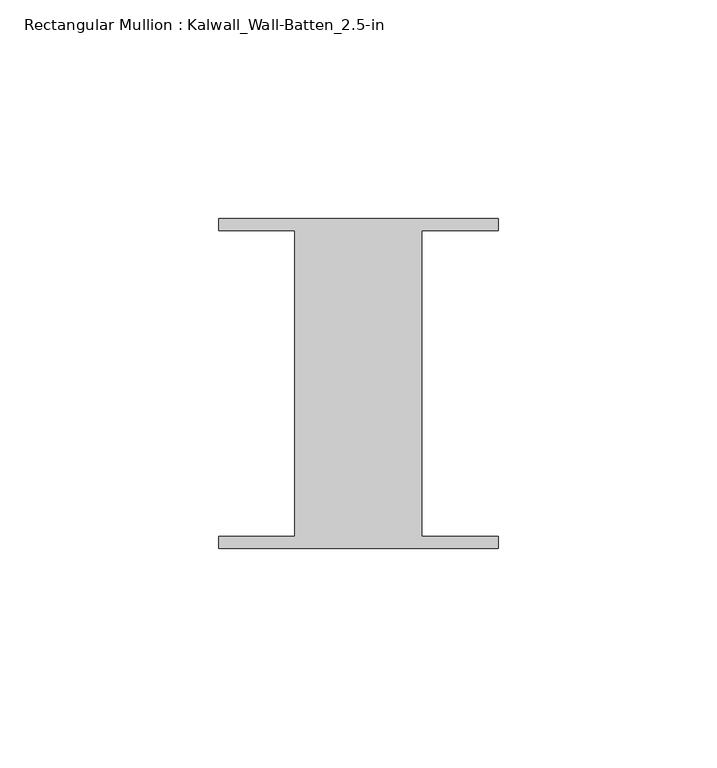
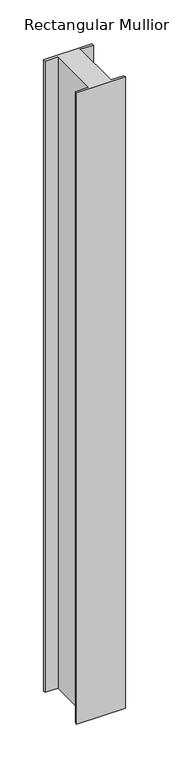
"""IFC4 building model written with IfcOpenShell, lengths in millimetres: member geometry, Rectangular Mullion : Kalwall_Wall-Batten_2.5-in."""

import ifcopenshell
import ifcopenshell.guid

model = None  # the IFC model being written
_history = None  # IfcOwnerHistory: only IFC2X3 demands one
_inside = {}  # id of a spatial element -> (the spatial element, [elements in it])
_under = {}  # id of a project, library or spatial element -> (it, [spatial elements below it])
_declared = {}  # id of a project -> (the project, [libraries it declares])
_typed = {}  # id of a type object -> (the type object, [elements of that type])
_made_of = {}  # id of a material, layer set ... -> (it, [elements and type objects made of it])


def new_model(schema):
    """Start an empty IFC model of exactly this schema.

    Asked for "IFC4X3", IfcOpenShell would pick the latest addendum, in which some entities
    have other attributes; the version numbers below select the first issue.
    IFC2X3 requires an IfcOwnerHistory on every rooted entity: one is made here for all.
    """
    global model, _history
    if schema == "IFC4X3":
        model = ifcopenshell.file(schema_version=(4, 3, 0, 0))
    else:
        model = ifcopenshell.file(schema=schema)
    _inside.clear()
    _under.clear()
    _declared.clear()
    _typed.clear()
    _made_of.clear()
    _history = None
    if model.schema == "IFC2X3":
        org = make("IfcOrganization", Name="unknown")
        user = make(
            "IfcPersonAndOrganization",
            ThePerson=make("IfcPerson", FamilyName="unknown"),
            TheOrganization=org,
        )
        app = make(
            "IfcApplication",
            ApplicationDeveloper=org,
            Version="unknown",
            ApplicationFullName="unknown",
            ApplicationIdentifier="unknown",
        )
        _history = make(
            "IfcOwnerHistory",
            OwningUser=user,
            OwningApplication=app,
            ChangeAction="ADDED",
            CreationDate=0,
        )
    return model


def make(cls, **values):
    """One entity of the class cls with the attributes given. An attribute that is None is left unset."""
    return model.create_entity(
        cls, **{name: value for name, value in values.items() if value is not None}
    )


def rooted(cls, **values):
    """An entity with a GlobalId (a new one), such as an element, a storey or a relation."""
    return make(cls, GlobalId=ifcopenshell.guid.new(), OwnerHistory=_history, **values)


def si_unit(unit_type, name, prefix=None):
    """IfcSIUnit, for example si_unit("LENGTHUNIT", "METRE", prefix="MILLI")."""
    return make("IfcSIUnit", UnitType=unit_type, Prefix=prefix, Name=name)


def assignment(units):
    """IfcUnitAssignment: the units of a project."""
    return None if units is None else make("IfcUnitAssignment", Units=units)


def point(xyz):
    """IfcCartesianPoint."""
    return None if xyz is None else make("IfcCartesianPoint", Coordinates=xyz)


def direction(xyz):
    """IfcDirection."""
    return None if xyz is None else make("IfcDirection", DirectionRatios=xyz)


def frame(location, z_axis=None, x_axis=None):
    """IfcAxis2Placement3D, a coordinate frame: its origin and axes. An axis left out is left unset."""
    return make(
        "IfcAxis2Placement3D",
        Location=point(location),
        Axis=direction(z_axis),
        RefDirection=direction(x_axis),
    )


def origin():
    """The frame at (0, 0, 0) with its axes left unset."""
    return frame((0.0, 0.0, 0.0))


def place(relative_to, where):
    """IfcLocalPlacement: puts the frame where relative to a parent placement (None: the world)."""
    return make(
        "IfcLocalPlacement", PlacementRelTo=relative_to, RelativePlacement=where
    )


def context(
    kind, dimensions, precision=None, world=None, true_north=None, identifier=None
):
    """IfcGeometricRepresentationContext, for example the 3D "Model" context."""
    return make(
        "IfcGeometricRepresentationContext",
        ContextIdentifier=identifier,
        ContextType=kind,
        CoordinateSpaceDimension=dimensions,
        Precision=precision,
        WorldCoordinateSystem=world,
        TrueNorth=true_north,
    )


def project(units=None, contexts=None):
    """IfcProject with its units and contexts."""
    return rooted(
        "IfcProject",
        Name="project",
        RepresentationContexts=contexts,
        UnitsInContext=assignment(units),
    )


def spatial(cls, under=None, at=None, **own):
    """A site, building, storey or space (cls), placed at a placement, below another one or the project."""
    s = rooted(cls, ObjectPlacement=at, **own)
    if under is not None:
        _under.setdefault(under.id(), (under, []))[1].append(s)
    return s


def polyline(points):
    """IfcPolyline through the points."""
    return make("IfcPolyline", Points=[point(p) for p in points])


def outline(outer, holes=None, kind="AREA"):
    """IfcArbitraryClosedProfileDef: a profile drawn as a closed curve; with holes, ...WithVoids."""
    if holes is None:
        return make("IfcArbitraryClosedProfileDef", ProfileType=kind, OuterCurve=outer)
    return make(
        "IfcArbitraryProfileDefWithVoids",
        ProfileType=kind,
        OuterCurve=outer,
        InnerCurves=holes,
    )


def extrude(swept, where, along, depth):
    """IfcExtrudedAreaSolid: the profile swept, set in the frame where, extruded along a direction by depth."""
    return make(
        "IfcExtrudedAreaSolid",
        SweptArea=swept,
        Position=where,
        ExtrudedDirection=direction(along),
        Depth=depth,
    )


def shape(context_of_items, identifier, shape_type, items):
    """IfcShapeRepresentation: the items that make up one representation, for example the "Body"."""
    return make(
        "IfcShapeRepresentation",
        ContextOfItems=context_of_items,
        RepresentationIdentifier=identifier,
        RepresentationType=shape_type,
        Items=items,
    )


def source(mapping_origin, context_of_items, identifier, shape_type, items):
    """IfcRepresentationMap: a shape defined once, which mapped items show again and again."""
    return make(
        "IfcRepresentationMap",
        MappingOrigin=mapping_origin,
        MappedRepresentation=shape(context_of_items, identifier, shape_type, items),
    )


def transform(
    local_origin,
    x_axis=None,
    y_axis=None,
    z_axis=None,
    scale=None,
    scale2=None,
    scale3=None,
    uniform=True,
):
    """IfcCartesianTransformationOperator3D, or its non-uniform kind. x_axis, y_axis, z_axis: its Axis1, 2, 3."""
    if uniform:
        return make(
            "IfcCartesianTransformationOperator3D",
            Axis1=direction(x_axis),
            Axis2=direction(y_axis),
            LocalOrigin=point(local_origin),
            Scale=scale,
            Axis3=direction(z_axis),
        )
    return make(
        "IfcCartesianTransformationOperator3DnonUniform",
        Axis1=direction(x_axis),
        Axis2=direction(y_axis),
        LocalOrigin=point(local_origin),
        Scale=scale,
        Axis3=direction(z_axis),
        Scale2=scale2,
        Scale3=scale3,
    )


def mapped(mapping_source, mapping_target):
    """IfcMappedItem: shows the shape of a source again, moved by a transform."""
    return make(
        "IfcMappedItem", MappingSource=mapping_source, MappingTarget=mapping_target
    )


def made_of(thing, what):
    """Note that an element or type object is made of a material, layer set ...; save() writes the relation."""
    if what is not None:
        _made_of.setdefault(what.id(), (what, []))[1].append(thing)
    return thing


def element(
    cls,
    number,
    at=None,
    inside=None,
    cuts=None,
    type_object=None,
    material=None,
    context=None,
    identifier="Body",
    shape_type=None,
    held_by="IfcProductDefinitionShape",
    body=None,
    shapes=None,
    **own,
):
    """One element of the class cls, such as IfcWall. Its Tag is "e" and its number.

    at: its placement. inside: the storey or other place that contains it. cuts: it is an
    opening in that element (IfcRelVoidsElement). A single representation is given by context,
    identifier, shape_type and body (its items); several are given by shapes. held_by: the class
    of the entity that holds the representations. save() writes the other relations.
    """
    e = rooted(cls, Tag="e%d" % number, ObjectPlacement=at, **own)
    if body is not None:
        shapes = [shape(context, identifier, shape_type, body)]
    if shapes is not None:
        e.Representation = make(held_by, Representations=shapes)
    if inside is not None:
        _inside.setdefault(inside.id(), (inside, []))[1].append(e)
    if cuts is not None:
        rooted(
            "IfcRelVoidsElement", RelatingBuildingElement=cuts, RelatedOpeningElement=e
        )
    if type_object is not None:
        _typed.setdefault(type_object.id(), (type_object, []))[1].append(e)
    return made_of(e, material)


def aggregate(whole, parts):
    """IfcRelAggregates: a whole, such as a stair, and the parts it consists of."""
    return rooted("IfcRelAggregates", RelatingObject=whole, RelatedObjects=parts)


def save(model, path):
    """Write the relations noted so far, then the file.

    IfcRelAggregates (storeys below a building ...), IfcRelContainedInSpatialStructure (elements
    in a storey), IfcRelDefinesByType, IfcRelAssociatesMaterial and IfcRelDeclares: one each for
    every whole, place, type object, material and project.
    """
    for whole, parts in _under.values():
        aggregate(whole, parts)
    for where, things in _inside.values():
        rooted(
            "IfcRelContainedInSpatialStructure",
            RelatedElements=things,
            RelatingStructure=where,
        )
    for kind, things in _typed.values():
        rooted("IfcRelDefinesByType", RelatedObjects=things, RelatingType=kind)
    for what, things in _made_of.values():
        rooted("IfcRelAssociatesMaterial", RelatedObjects=things, RelatingMaterial=what)
    for by, libraries in _declared.values():
        rooted("IfcRelDeclares", RelatingContext=by, RelatedDefinitions=libraries)
    model.write(path)


def rectangular_mullion_kalwall_wall_batten_2_5_in_19eed4a8(model_context):
    return source(origin(), model_context, "Body", "SweptSolid", [
        extrude(outline(polyline([(-32.0, 36.524), (32.0, 36.524), (32.0, 33.73), (14.5, 33.73), (14.5, -36.27), (32.0, -36.27), (32.0, -39.064), (-32.0, -39.064), (-32.0, -36.27), (-14.5, -36.27), (-14.5, 33.73), (-32.0, 33.73), (-32.0, 36.524)])), frame((0.0, 0.0, -879.475), z_axis=(0.0, 0.0, 1.0), x_axis=(1.0, 0.0, 0.0)), (0.0, 0.0, 1.0), 879.475),
    ])


if __name__ == "__main__":
    model = new_model("IFC4")
    model_context = context("Model", 3, world=origin())
    ifc_project = project(units=[si_unit("LENGTHUNIT", "METRE", prefix="MILLI")], contexts=[model_context])
    site = spatial("IfcSite", under=ifc_project)
    building = spatial("IfcBuilding", under=site)
    placement = place(None, origin())
    rectangular_mullion_kalwall_wall_batten_2_5_in_shape = rectangular_mullion_kalwall_wall_batten_2_5_in_19eed4a8(model_context)
    element("IfcMember", 1, ObjectType="Rectangular Mullion : Kalwall_Wall-Batten_2.5-in", at=placement, inside=building, context=model_context, shape_type="MappedRepresentation", body=[
        mapped(rectangular_mullion_kalwall_wall_batten_2_5_in_shape, transform((0.0, 0.0, 0.0), x_axis=(1.0, 0.0, 0.0), y_axis=(0.0, 1.0, 0.0), z_axis=(0.0, 0.0, 1.0))),
    ])
    save(model, "model.ifc")
